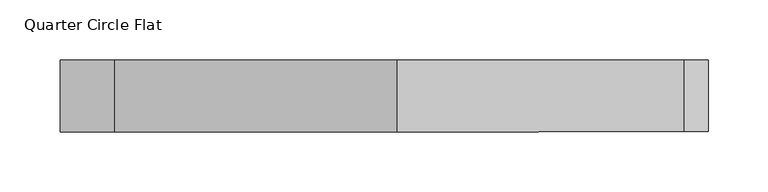
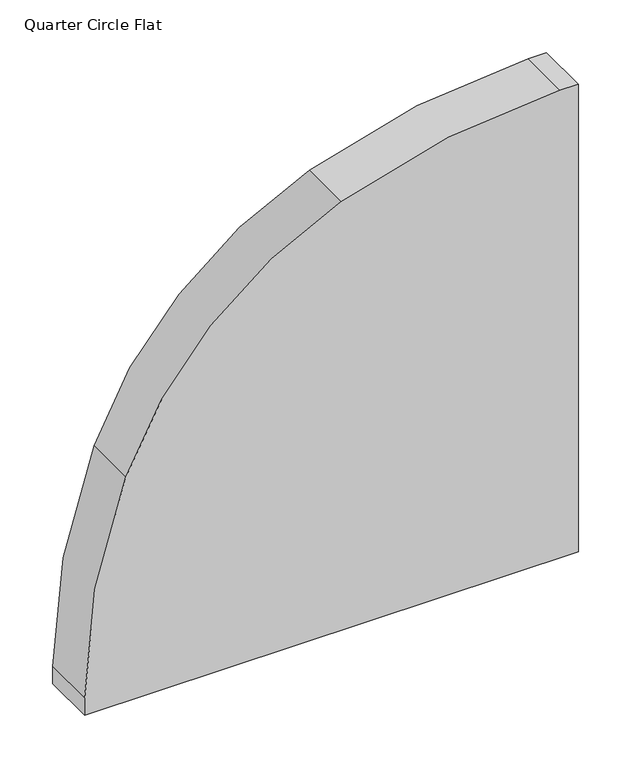
"""IFC4 building model written with IfcOpenShell, lengths in millimetres: furniture geometry, Quarter Circle Flat."""

from ifc_helpers import new_model, si_unit, point, frame, frame_2d, origin, place, context, project, spatial, polyline, circle_curve, trimmed, segment, composite_curve, outline, extrude, source, transform, mapped, element, save


def quarter_circle_flat_c66587fa(model_context):
    return source(origin(), model_context, "Body", "SweptSolid", [
        extrude(outline(composite_curve([segment(polyline([(1500.0, -270.0), (1500.0, 270.0), (2040.0, 270.0), (2040.0, 250.2887948)]), True, "CONTINUOUS"), segment(trimmed(circle_curve(frame_2d((1380.0347968, 250.2887948)), 659.9652032), [point((2040.0, 250.2887948))], [point((1994.9355419, 10.5991139))], False, "CARTESIAN"), True, "CONTINUOUS"), segment(trimmed(circle_curve(frame_2d((1608.9383015, 161.0616985)), 414.2859628), [point((1994.9355419, 10.5991139))], [point((1759.4008861, -224.9355419))], False, "CARTESIAN"), True, "CONTINUOUS"), segment(trimmed(circle_curve(frame_2d((1519.7112052, 389.9652032)), 659.9652032), [point((1759.4008861, -224.9355419))], [point((1519.7112052, -270.0))], False, "CARTESIAN"), True, "CONTINUOUS"), segment(polyline([(1519.7112052, -270.0), (1500.0, -270.0)]), True, "CONTINUOUS")], self_intersect=False)), frame((0.0, -60.0, 0.0), z_axis=(0.0, 1.0, 0.0), x_axis=(0.0, 0.0, 1.0)), (0.0, 0.0, 1.0), 60.0),
    ])


if __name__ == "__main__":
    model = new_model("IFC4")
    model_context = context("Model", 3, world=origin())
    ifc_project = project(units=[si_unit("LENGTHUNIT", "METRE", prefix="MILLI")], contexts=[model_context])
    site = spatial("IfcSite", under=ifc_project)
    building = spatial("IfcBuilding", under=site)
    placement = place(None, origin())
    quarter_circle_flat_shape = quarter_circle_flat_c66587fa(model_context)
    element("IfcFurniture", 1, ObjectType="Quarter Circle Flat", at=placement, inside=building, context=model_context, shape_type="MappedRepresentation", body=[
        mapped(quarter_circle_flat_shape, transform((0.0, 0.0, 0.0), x_axis=(1.0, 0.0, 0.0), y_axis=(0.0, 1.0, 0.0), z_axis=(0.0, 0.0, 1.0))),
    ])
    save(model, "model.ifc")
